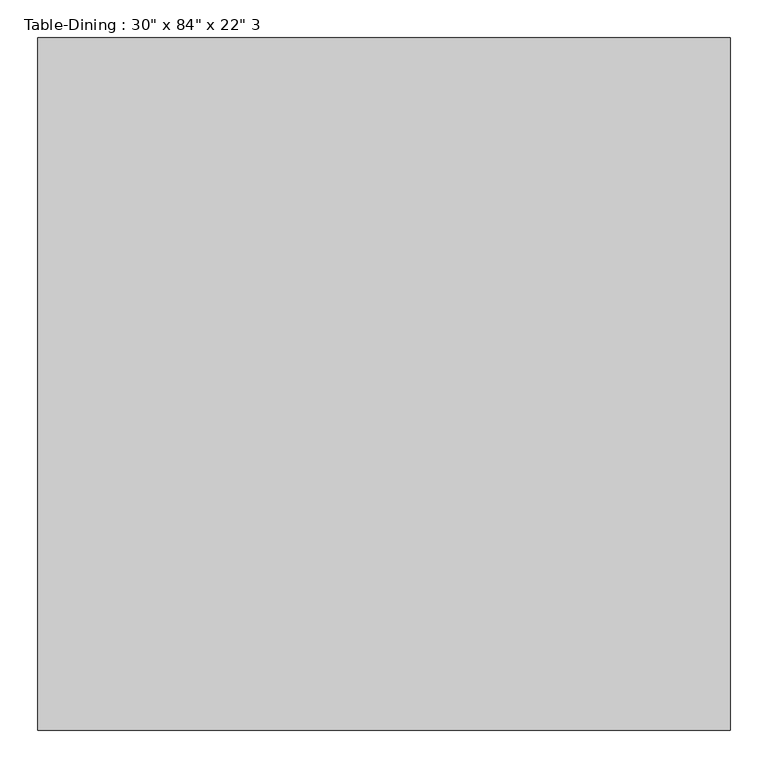
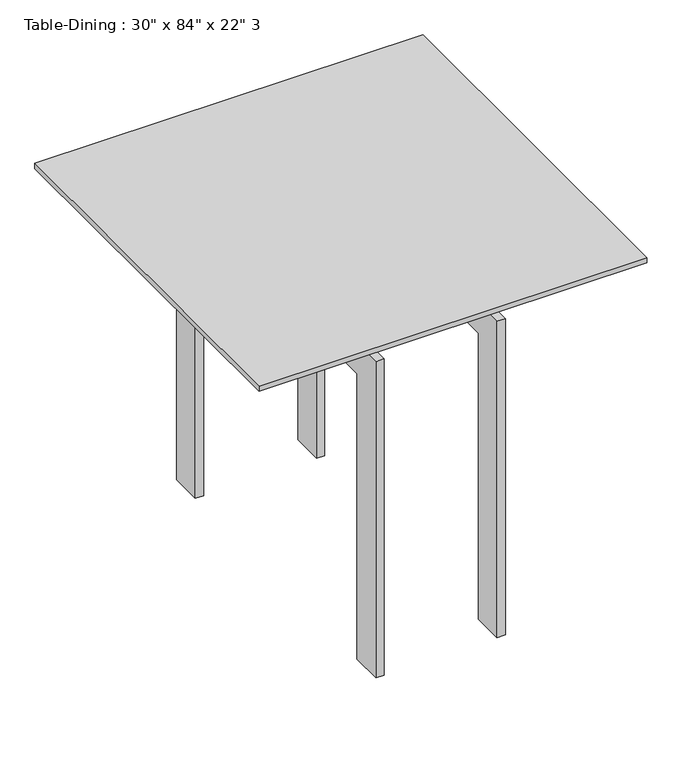
"""IFC4 building model written with IfcOpenShell, lengths in millimetres: furniture geometry."""

from ifc_helpers import new_model, si_unit, frame, origin, place, context, project, spatial, polyline, outline, extrude, source, transform, mapped, element, save


def furniture_6a4026a8(model_context):
    return source(origin(), model_context, "Body", "SweptSolid", [
        extrude(outline(polyline([(373.8657667, 297.7823857), (373.8657667, 272.3823857), (-337.3342333, 272.3823857), (-337.3342333, 297.7823857), (373.8657667, 297.7823857)])), frame((0.0, 0.0, 787.4), z_axis=(0.0, 0.0, 1.0), x_axis=(1.0, 0.0, 0.0)), (0.0, 0.0, 1.0), 63.5),
        extrude(outline(polyline([(373.8657667, -82.5889222), (373.8657667, -107.9889222), (-337.3342333, -107.9889222), (-337.3342333, -82.5889222), (373.8657667, -82.5889222)])), frame((0.0, 0.0, 787.4), z_axis=(0.0, 0.0, 1.0), x_axis=(1.0, 0.0, 0.0)), (0.0, 0.0, 1.0), 63.5),
        extrude(outline(polyline([(501.6110778, 0.0), (425.4110778, 0.0), (425.4110778, 711.2), (-234.9889222, 711.2), (-234.9889222, 0.0), (-311.1889222, 0.0), (-311.1889222, 787.4), (501.6110778, 787.4), (501.6110778, 0.0)])), frame((151.6157667, 0.0, 0.0), z_axis=(1.0, 0.0, 0.0), x_axis=(0.0, 1.0, 0.0)), (0.0, 0.0, 1.0), 19.05),
        extrude(outline(polyline([(501.6110778, 787.4), (501.6110778, 0.0), (425.4110778, 0.0), (425.4110778, 711.2), (-234.9889222, 711.2), (-234.9889222, 0.0), (-311.1889222, 0.0), (-311.1889222, 787.4), (501.6110778, 787.4)])), frame((-134.1342333, 0.0, 0.0), z_axis=(1.0, 0.0, 0.0), x_axis=(0.0, 1.0, 0.0)), (0.0, 0.0, 1.0), 19.05),
        extrude(outline(polyline([(475.4657667, 552.4110778), (475.4657667, -361.9889222), (-438.9342333, -361.9889222), (-438.9342333, 552.4110778), (475.4657667, 552.4110778)])), frame((0.0, 0.0, 850.9), z_axis=(0.0, 0.0, 1.0), x_axis=(1.0, 0.0, 0.0)), (0.0, 0.0, 1.0), 12.7),
    ])


if __name__ == "__main__":
    model = new_model("IFC4")
    model_context = context("Model", 3, world=origin())
    ifc_project = project(units=[si_unit("LENGTHUNIT", "METRE", prefix="MILLI")], contexts=[model_context])
    site = spatial("IfcSite", under=ifc_project)
    building = spatial("IfcBuilding", under=site)
    placement = place(None, origin())
    furniture_shape = furniture_6a4026a8(model_context)
    element("IfcFurniture", 1, ObjectType="Table-Dining : 30\" x 84\" x 22\" 3", at=placement, inside=building, context=model_context, shape_type="MappedRepresentation", body=[
        mapped(furniture_shape, transform((0.0, 0.0, 0.0), x_axis=(1.0, 0.0, 0.0), y_axis=(0.0, 1.0, 0.0), z_axis=(0.0, 0.0, 1.0))),
    ])
    save(model, "model.ifc")
